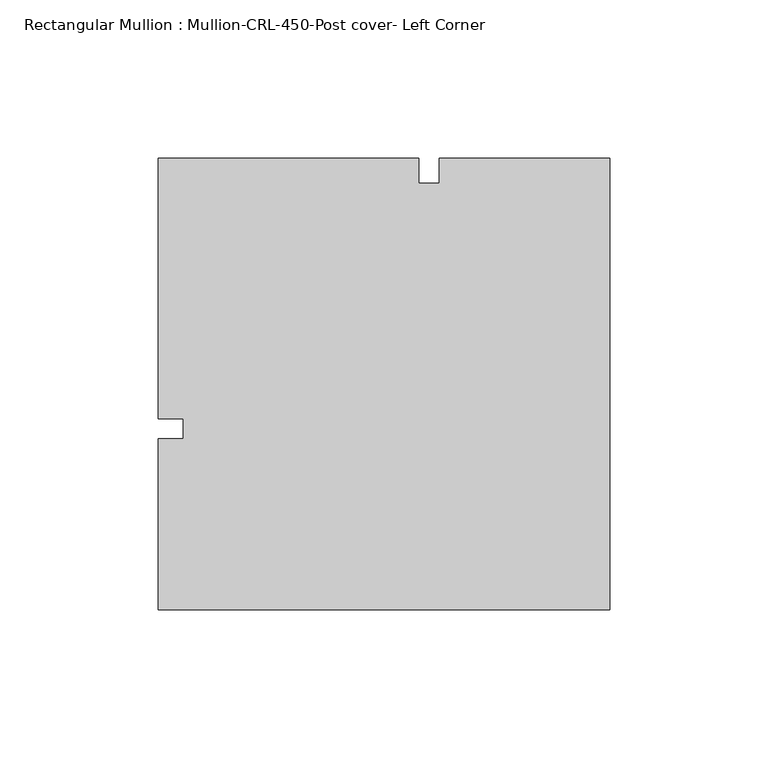
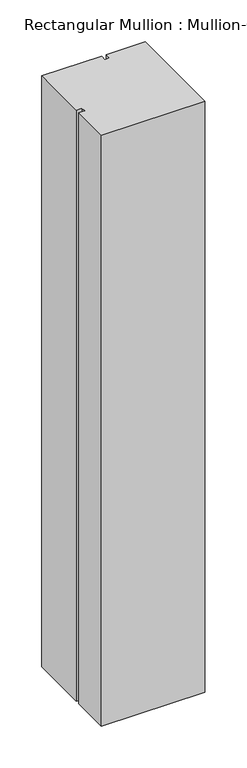
"""IFC4 building model written with IfcOpenShell, lengths in millimetres: member geometry, Rectangular Mullion : Mullion-CRL-450-Post cover- Left Corner."""

from ifc_helpers import new_model, si_unit, frame, origin, place, context, project, spatial, polyline, outline, extrude, source, transform, mapped, element, save


def rectangular_mullion_mullion_crl_450_post_cover_left_corner_e73f2189(model_context):
    return source(origin(), model_context, "Body", "SweptSolid", [
        extrude(outline(polyline([(-142.8750577, -57.15), (-142.8750577, -3.175), (-134.9375577, -3.175), (-134.9375577, 3.175), (-142.8750577, 3.175), (-142.8750577, 85.7250577), (-60.3053017, 85.7250577), (-60.3053017, 77.7875577), (-53.9371282, 77.7875577), (-53.9371282, 85.7250577), (0.0, 85.7250577), (0.0, -57.15), (-142.8750577, -57.15)])), frame((0.0, 0.0, -863.6), z_axis=(0.0, 0.0, 1.0), x_axis=(1.0, 0.0, 0.0)), (0.0, 0.0, 1.0), 863.6),
    ])


if __name__ == "__main__":
    model = new_model("IFC4")
    model_context = context("Model", 3, world=origin())
    ifc_project = project(units=[si_unit("LENGTHUNIT", "METRE", prefix="MILLI")], contexts=[model_context])
    site = spatial("IfcSite", under=ifc_project)
    building = spatial("IfcBuilding", under=site)
    placement = place(None, origin())
    rectangular_mullion_mullion_crl_450_post_cover_left_corner_shape = rectangular_mullion_mullion_crl_450_post_cover_left_corner_e73f2189(model_context)
    element("IfcMember", 1, ObjectType="Rectangular Mullion : Mullion-CRL-450-Post cover- Left Corner", at=placement, inside=building, context=model_context, shape_type="MappedRepresentation", body=[
        mapped(rectangular_mullion_mullion_crl_450_post_cover_left_corner_shape, transform((0.0, 0.0, 0.0), x_axis=(1.0, 0.0, 0.0), y_axis=(0.0, 1.0, 0.0), z_axis=(0.0, 0.0, 1.0))),
    ])
    save(model, "model.ifc")
